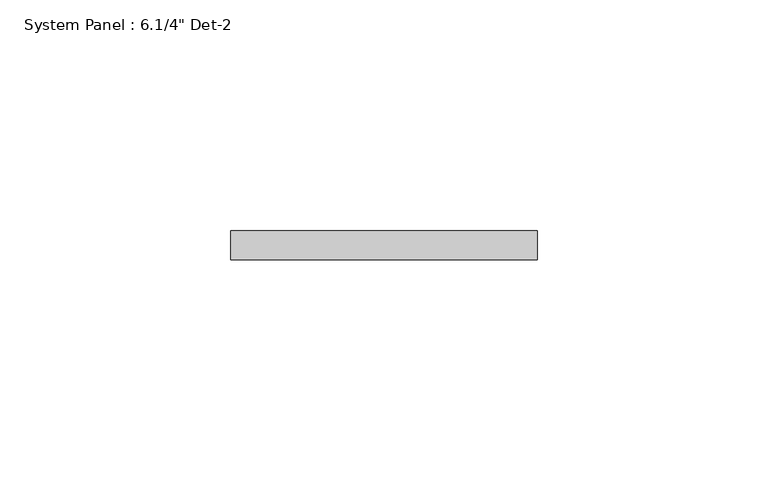
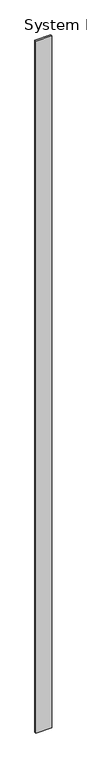
"""IFC4 building model written with IfcOpenShell, lengths in millimetres: plate geometry."""

from ifc_helpers import new_model, si_unit, origin, origin_with_axes, place, context, project, spatial, polyline, outline, extrude, source, transform, mapped, element, save


def plate_25db8d06(model_context):
    return source(origin(), model_context, "Body", "SweptSolid", [
        extrude(outline(polyline([(33.2583397, 0.0), (-33.2583397, 0.0), (-33.2583397, 6.35), (33.2583397, 6.35), (33.2583397, 0.0)])), origin_with_axes(), (0.0, 0.0, 1.0), 3048.0),
    ])


if __name__ == "__main__":
    model = new_model("IFC4")
    model_context = context("Model", 3, world=origin())
    ifc_project = project(units=[si_unit("LENGTHUNIT", "METRE", prefix="MILLI")], contexts=[model_context])
    site = spatial("IfcSite", under=ifc_project)
    building = spatial("IfcBuilding", under=site)
    placement = place(None, origin())
    plate_shape = plate_25db8d06(model_context)
    element("IfcPlate", 1, ObjectType="System Panel : 6.1/4\" Det-2", at=placement, inside=building, context=model_context, shape_type="MappedRepresentation", body=[
        mapped(plate_shape, transform((0.0, 0.0, 0.0), x_axis=(1.0, 0.0, 0.0), y_axis=(0.0, 1.0, 0.0), z_axis=(0.0, 0.0, 1.0))),
    ])
    save(model, "model.ifc")
